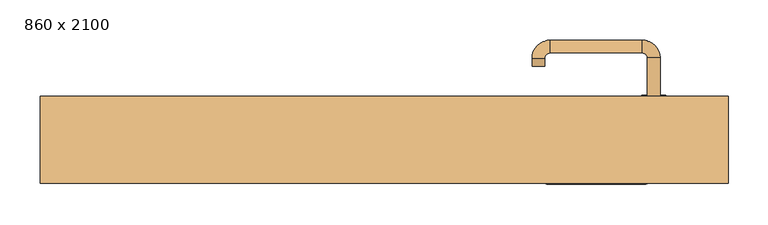
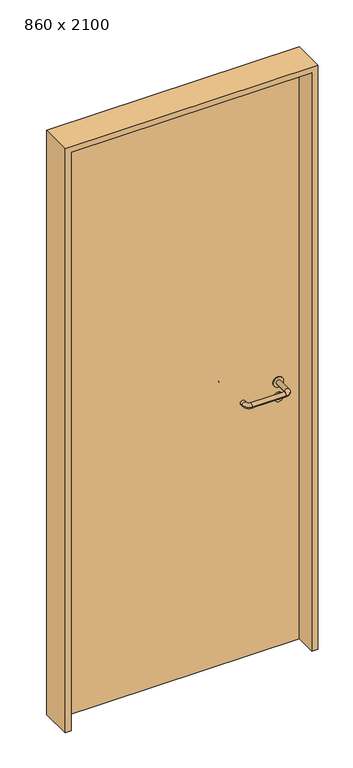
"""IFC4 building model written with IfcOpenShell, lengths in millimetres: door geometry, 860 x 2100."""

from ifc_helpers import new_model, si_unit, point, frame, frame_2d, origin, origin_with_axes, place, context, project, spatial, polyline, circle_curve, ellipse_curve, trimmed, segment, composite_curve, outline, extrude, source, transform, mapped, element, save
from ifc_brep_helpers import plane_surface, cylinder_surface, revolved_surface, advanced_brep


def door_860_x_2100_5c5aa9e3(model_context):
    return source(origin(), model_context, "Body", "SolidModel", [
        extrude(outline(composite_curve([segment(trimmed(circle_curve(frame_2d((897.3605726, 337.0)), 15.0), [point((897.3605726, 352.0))], [point((897.3605726, 322.0))], False, "CARTESIAN"), True, "CONTINUOUS"), segment(trimmed(circle_curve(frame_2d((897.3605726, 337.0)), 15.0), [point((897.3605726, 322.0))], [point((897.3605726, 352.0))], False, "CARTESIAN"), True, "CONTINUOUS")], self_intersect=False), holes=[composite_curve([segment(trimmed(circle_curve(frame_2d((892.5833211, 336.9398032)), 2.0), [point((892.5833211, 338.9398032))], [point((892.5833211, 334.9398032))], True, "CARTESIAN"), True, "CONTINUOUS"), segment(polyline([(892.5833211, 334.9398032), (902.5833211, 334.9398032)]), True, "CONTINUOUS"), segment(trimmed(circle_curve(frame_2d((902.5833211, 336.9398032)), 2.0), [point((902.5833211, 334.9398032))], [point((902.5833211, 338.9398032))], True, "CARTESIAN"), True, "CONTINUOUS"), segment(polyline([(902.5833211, 338.9398032), (892.5833211, 338.9398032)]), True, "CONTINUOUS")], self_intersect=False)]), frame((0.0, 13.65, 0.0), z_axis=(0.0, 1.0, 0.0), x_axis=(0.0, 0.0, 1.0)), (0.0, 0.0, 1.0), 6.35),
        extrude(outline(composite_curve([segment(trimmed(circle_curve(frame_2d((950.0, 337.0)), 17.526), [point((950.0, 354.526))], [point((950.0, 319.474))], False, "CARTESIAN"), True, "CONTINUOUS"), segment(trimmed(circle_curve(frame_2d((950.0, 337.0)), 17.526), [point((950.0, 319.474))], [point((950.0, 354.526))], False, "CARTESIAN"), True, "CONTINUOUS")], self_intersect=False)), frame((0.0, 16.825, 0.0), z_axis=(0.0, 1.0, 0.0), x_axis=(0.0, 0.0, 1.0)), (0.0, 0.0, 1.0), 3.175),
        advanced_brep(
        [(345.0, 20.0, 950.0), (329.0, 20.0, 950.0), (329.0, -33.0, 950.0), (345.0, -33.0, 950.0), (322.8578644, -39.1421356, 950.0), (322.8578644, -55.1421356, 950.0), (207.8578644, -39.1421356, 950.0), (207.8578644, -55.1421356, 950.0), (201.008622, -32.2928932, 950.0), (185.008622, -32.2928932, 950.0), (185.008622, -22.2928932, 950.0), (201.008622, -22.2928932, 950.0)],
        [
            (0, 1, circle_curve(frame((337.0, 20.0, 950.0), z_axis=(0.0, 1.0, 0.0), x_axis=(-1.0, 0.0, 0.0)), 8.0)),
            (1, 0, circle_curve(frame((337.0, 20.0, 950.0), z_axis=(0.0, 1.0, 0.0), x_axis=(-1.0, 0.0, 0.0)), 8.0)),
            (1, 2),
            (2, 3, circle_curve(frame((337.0, -33.0, 950.0), z_axis=(0.0, 1.0, 0.0), x_axis=(-1.0, 0.0, 0.0)), 8.0)),
            (3, 0),
            (3, 2, circle_curve(frame((337.0, -33.0, 950.0), z_axis=(0.0, 1.0, 0.0), x_axis=(-1.0, 0.0, 0.0)), 8.0)),
            (4, 5, circle_curve(frame((322.8578644, -47.1421356, 950.0), z_axis=(1.0, 0.0, 0.0), x_axis=(0.0, 1.0, 0.0)), 8.0)),
            (5, 3, circle_curve(frame((322.8578644, -33.0, 950.0), z_axis=(0.0, 0.0, 1.0), x_axis=(1.0, 0.0, 0.0)), 22.1421356)),
            (2, 4, circle_curve(frame((322.8578644, -33.0, 950.0), z_axis=(0.0, 0.0, -1.0), x_axis=(1.0, 0.0, 0.0)), 6.1421356)),
            (5, 4, circle_curve(frame((322.8578644, -47.1421356, 950.0), z_axis=(1.0, 0.0, 0.0), x_axis=(0.0, 1.0, 0.0)), 8.0)),
            (4, 6),
            (6, 7, circle_curve(frame((207.8578644, -47.1421356, 950.0), z_axis=(1.0, 0.0, 0.0), x_axis=(0.0, 1.0, 0.0)), 8.0)),
            (7, 5),
            (7, 6, circle_curve(frame((207.8578644, -47.1421356, 950.0), z_axis=(1.0, 0.0, 0.0), x_axis=(0.0, 1.0, 0.0)), 8.0)),
            (8, 9, circle_curve(frame((193.008622, -32.2928932, 950.0), z_axis=(0.0, -1.0, 0.0), x_axis=(1.0, 0.0, 0.0)), 8.0)),
            (9, 7, circle_curve(frame((207.8578644, -32.2928932, 950.0), z_axis=(0.0, 0.0, 1.0), x_axis=(0.0, -1.0, 0.0)), 22.8492424)),
            (6, 8, circle_curve(frame((207.8578644, -32.2928932, 950.0), z_axis=(0.0, 0.0, -1.0), x_axis=(0.0, -1.0, 0.0)), 6.8492424)),
            (9, 8, circle_curve(frame((193.008622, -32.2928932, 950.0), z_axis=(0.0, -1.0, 0.0), x_axis=(1.0, 0.0, 0.0)), 8.0)),
            (10, 11, circle_curve(frame((193.008622, -22.2928932, 950.0), z_axis=(0.0, 1.0, 0.0), x_axis=(1.0, 0.0, 0.0)), 8.0)),
            (11, 10, circle_curve(frame((193.008622, -22.2928932, 950.0), z_axis=(0.0, 1.0, 0.0), x_axis=(1.0, 0.0, 0.0)), 8.0)),
            (8, 11),
            (10, 9),
        ],
        [
            plane_surface(frame((337.0, 20.0, 0.0), z_axis=(0.0, 1.0, 0.0), x_axis=(0.0, 0.0, 1.0))),
            cylinder_surface(frame((337.0, 20.0, 950.0), z_axis=(0.0, 1.0, 0.0), x_axis=(-1.0, 0.0, 0.0)), 8.0),
            revolved_surface(trimmed(ellipse_curve(frame((337.0, -33.0, 950.0), z_axis=(0.0, -1.0, 0.0), x_axis=(-1.0, 0.0, 0.0)), 8.0, 8.0), [point((345.0, -33.0, 950.0))], [point((329.0, -33.0, 950.0))], True, "CARTESIAN"), (322.8578644, -33.0, 0.0), (0.0, 0.0, 1.0)),
            revolved_surface(trimmed(ellipse_curve(frame((337.0, -33.0, 950.0), z_axis=(0.0, -1.0, 0.0), x_axis=(-1.0, 0.0, 0.0)), 8.0, 8.0), [point((329.0, -33.0, 950.0))], [point((345.0, -33.0, 950.0))], True, "CARTESIAN"), (322.8578644, -33.0, 0.0), (0.0, 0.0, 1.0)),
            cylinder_surface(frame((322.8578644, -47.1421356, 950.0), z_axis=(1.0, 0.0, 0.0), x_axis=(0.0, 1.0, 0.0)), 8.0),
            revolved_surface(trimmed(ellipse_curve(frame((207.8578644, -47.1421356, 950.0), z_axis=(-1.0, 0.0, 0.0), x_axis=(0.0, 1.0, 0.0)), 8.0, 8.0), [point((207.8578644, -55.1421356, 950.0))], [point((207.8578644, -39.1421356, 950.0))], True, "CARTESIAN"), (207.8578644, -32.2928932, 0.0), (0.0, 0.0, 1.0)),
            revolved_surface(trimmed(ellipse_curve(frame((207.8578644, -47.1421356, 950.0), z_axis=(-1.0, 0.0, 0.0), x_axis=(0.0, 1.0, 0.0)), 8.0, 8.0), [point((207.8578644, -39.1421356, 950.0))], [point((207.8578644, -55.1421356, 950.0))], True, "CARTESIAN"), (207.8578644, -32.2928932, 0.0), (0.0, 0.0, 1.0)),
            plane_surface(frame((193.008622, -22.2928932, 0.0), z_axis=(0.0, 1.0, 0.0), x_axis=(0.0, 0.0, 1.0))),
            cylinder_surface(frame((193.008622, -32.2928932, 950.0), z_axis=(0.0, -1.0, 0.0), x_axis=(1.0, 0.0, 0.0)), 8.0),
        ],
        [
            (0, [[1, 2]]),
            (1, [[3, 4, 5, -2]]),
            (1, [[-5, 6, -3, -1]]),
            (2, [[7, 8, -4, 9]]),
            (3, [[10, -9, -6, -8]]),
            (4, [[11, 12, 13, -7]]),
            (4, [[-13, 14, -11, -10]]),
            (5, [[15, 16, -12, 17]]),
            (6, [[18, -17, -14, -16]]),
            (7, [[19, 20]]),
            (8, [[21, -19, 22, -15]]),
            (8, [[-22, -20, -21, -18]]),
        ],
    ),
        extrude(outline(composite_curve([segment(trimmed(circle_curve(frame_2d((0.0, -15.0)), 15.0), [point((0.0, -30.0))], [point((0.0, 0.0))], False, "CARTESIAN"), True, "CONTINUOUS"), segment(trimmed(circle_curve(frame_2d((0.0, -15.0)), 15.0), [point((0.0, 0.0))], [point((0.0, -30.0))], False, "CARTESIAN"), True, "CONTINUOUS")], self_intersect=False), holes=[composite_curve([segment(trimmed(circle_curve(frame_2d((4.7772515, -14.9398032)), 2.0), [point((4.7772515, -16.9398032))], [point((4.7772515, -12.9398032))], True, "CARTESIAN"), True, "CONTINUOUS"), segment(polyline([(4.7772515, -12.9398032), (-5.2227485, -12.9398032)]), True, "CONTINUOUS"), segment(trimmed(circle_curve(frame_2d((-5.2227485, -14.9398032)), 2.0), [point((-5.2227485, -12.9398032))], [point((-5.2227485, -16.9398032))], True, "CARTESIAN"), True, "CONTINUOUS"), segment(polyline([(-5.2227485, -16.9398032), (4.7772515, -16.9398032)]), True, "CONTINUOUS")], self_intersect=False)]), frame((322.0, 50.0, 897.3605726), z_axis=(1.8870575173328306e-12, 1.0, 0.0), x_axis=(0.0, 0.0, -1.0)), (0.0, 0.0, 1.0), 6.35),
        extrude(outline(composite_curve([segment(trimmed(circle_curve(frame_2d((0.0, -17.526)), 17.526), [point((0.0, -35.052))], [point((0.0, 0.0))], False, "CARTESIAN"), True, "CONTINUOUS"), segment(trimmed(circle_curve(frame_2d((0.0, -17.526)), 17.526), [point((0.0, 0.0))], [point((0.0, -35.052))], False, "CARTESIAN"), True, "CONTINUOUS")], self_intersect=False)), frame((319.474, 50.0, 950.0), z_axis=(1.8870575173328306e-12, 1.0, 0.0), x_axis=(0.0, 0.0, -1.0)), (0.0, 0.0, 1.0), 3.175),
        advanced_brep(
        [(345.0, 50.0, 950.0), (329.0, 50.0, 950.0), (345.0, 103.0, 950.0), (329.0, 103.0, 950.0), (322.8578644, 109.1421356, 950.0), (322.8578644, 125.1421356, 950.0), (207.8578644, 125.1421356, 950.0), (207.8578644, 109.1421356, 950.0), (201.008622, 102.2928932, 950.0), (185.008622, 102.2928932, 950.0), (185.008622, 92.2928932, 950.0), (201.008622, 92.2928932, 950.0)],
        [
            (0, 1, circle_curve(frame((337.0, 50.0, 950.0), z_axis=(-1.888672253512351e-12, -1.0, 0.0), x_axis=(-1.0, 1.888672253512351e-12, 0.0)), 8.0)),
            (1, 0, circle_curve(frame((337.0, 50.0, 950.0), z_axis=(-1.888672253512351e-12, -1.0, 0.0), x_axis=(-1.0, 1.888672253512351e-12, 0.0)), 8.0)),
            (0, 2),
            (2, 3, circle_curve(frame((337.0, 103.0, 950.0), z_axis=(-1.888672253512351e-12, -1.0, 0.0), x_axis=(-1.0, 1.888672253512351e-12, 0.0)), 8.0)),
            (3, 1),
            (3, 2, circle_curve(frame((337.0, 103.0, 950.0), z_axis=(-1.888672253512351e-12, -1.0, 0.0), x_axis=(-1.0, 1.888672253512351e-12, 0.0)), 8.0)),
            (4, 3, circle_curve(frame((322.8578644, 103.0, 950.0), z_axis=(0.0, 0.0, -1.0), x_axis=(1.0, -1.880717803715015e-12, 0.0)), 6.1421356)),
            (2, 5, circle_curve(frame((322.8578644, 103.0, 950.0), z_axis=(0.0, 0.0, 1.0), x_axis=(1.0, -1.880717803715015e-12, 0.0)), 22.1421356)),
            (5, 4, circle_curve(frame((322.8578644, 117.1421356, 950.0), z_axis=(1.0, -1.913702061528922e-12, 0.0), x_axis=(-1.913702061528922e-12, -1.0, 0.0)), 8.0)),
            (4, 5, circle_curve(frame((322.8578644, 117.1421356, 950.0), z_axis=(1.0, -1.913702061528922e-12, 0.0), x_axis=(-1.913702061528922e-12, -1.0, 0.0)), 8.0)),
            (5, 6),
            (6, 7, circle_curve(frame((207.8578644, 117.1421356, 950.0), z_axis=(1.0, -1.913719828541269e-12, 0.0), x_axis=(-1.913719828541269e-12, -1.0, 0.0)), 8.0)),
            (7, 4),
            (7, 6, circle_curve(frame((207.8578644, 117.1421356, 950.0), z_axis=(1.0, -1.913719828541269e-12, 0.0), x_axis=(-1.913719828541269e-12, -1.0, 0.0)), 8.0)),
            (8, 7, circle_curve(frame((207.8578644, 102.2928932, 950.0), z_axis=(0.0, 0.0, -1.0), x_axis=(1.9120873253494017e-12, 1.0, 0.0)), 6.8492424)),
            (6, 9, circle_curve(frame((207.8578644, 102.2928932, 950.0), z_axis=(0.0, 0.0, 1.0), x_axis=(1.9120873253494017e-12, 1.0, 0.0)), 22.8492424)),
            (9, 8, circle_curve(frame((193.008622, 102.2928932, 950.0), z_axis=(1.890448610351751e-12, 1.0, 0.0), x_axis=(1.0, -1.890448610351751e-12, 0.0)), 8.0)),
            (8, 9, circle_curve(frame((193.008622, 102.2928932, 950.0), z_axis=(1.8888942981172756e-12, 1.0, 0.0), x_axis=(1.0, -1.8888942981172756e-12, 0.0)), 8.0)),
            (10, 11, circle_curve(frame((193.008622, 92.2928932, 950.0), z_axis=(-1.8903642334018795e-12, -1.0, 0.0), x_axis=(1.0, -1.8903642334018795e-12, 0.0)), 8.0)),
            (11, 10, circle_curve(frame((193.008622, 92.2928932, 950.0), z_axis=(-1.8903642334018795e-12, -1.0, 0.0), x_axis=(1.0, -1.8903642334018795e-12, 0.0)), 8.0)),
            (9, 10),
            (11, 8),
        ],
        [
            plane_surface(frame((337.0, 50.0, 0.0), z_axis=(-1.8870575173328306e-12, -1.0, 0.0), x_axis=(0.0, 0.0, 1.0))),
            cylinder_surface(frame((337.0, 50.0, 950.0), z_axis=(-1.888672253512351e-12, -1.0, 0.0), x_axis=(-1.0, 1.888672253512351e-12, 0.0)), 8.0),
            revolved_surface(trimmed(ellipse_curve(frame((337.0, 103.0, 950.0), z_axis=(-1.8823325398945356e-12, -1.0, 0.0), x_axis=(-1.0, 1.8823325398945356e-12, 0.0)), 8.0, 8.0), [point((345.0, 103.0, 950.0))], [point((329.0, 103.0, 950.0))], True, "CARTESIAN"), (322.8578644, 103.0, 0.0), (0.0, 0.0, 1.0)),
            revolved_surface(trimmed(ellipse_curve(frame((337.0, 103.0, 950.0), z_axis=(-1.8823325398945356e-12, -1.0, 0.0), x_axis=(-1.0, 1.8823325398945356e-12, 0.0)), 8.0, 8.0), [point((329.0, 103.0, 950.0))], [point((345.0, 103.0, 950.0))], True, "CARTESIAN"), (322.8578644, 103.0, 0.0), (0.0, 0.0, 1.0)),
            cylinder_surface(frame((322.8578644, 117.1421356, 950.0), z_axis=(1.0, -1.913719828541269e-12, 0.0), x_axis=(-1.913719828541269e-12, -1.0, 0.0)), 8.0),
            revolved_surface(trimmed(ellipse_curve(frame((207.8578644, 117.1421356, 950.0), z_axis=(1.0, -1.913702061528922e-12, 0.0), x_axis=(-1.913702061528922e-12, -1.0, 0.0)), 8.0, 8.0), [point((207.8578644, 125.1421356, 950.0))], [point((207.8578644, 109.1421356, 950.0))], True, "CARTESIAN"), (207.8578644, 102.2928932, 0.0), (0.0, 0.0, 1.0)),
            revolved_surface(trimmed(ellipse_curve(frame((207.8578644, 117.1421356, 950.0), z_axis=(1.0, -1.913702061528922e-12, 0.0), x_axis=(-1.913702061528922e-12, -1.0, 0.0)), 8.0, 8.0), [point((207.8578644, 109.1421356, 950.0))], [point((207.8578644, 125.1421356, 950.0))], True, "CARTESIAN"), (207.8578644, 102.2928932, 0.0), (0.0, 0.0, 1.0)),
            plane_surface(frame((193.008622, 92.2928932, 0.0), z_axis=(-1.8887494972223595e-12, -1.0, 0.0), x_axis=(0.0, 0.0, 1.0))),
            cylinder_surface(frame((193.008622, 102.2928932, 950.0), z_axis=(1.8903642334018795e-12, 1.0, 0.0), x_axis=(1.0, -1.8903642334018795e-12, 0.0)), 8.0),
        ],
        [
            (0, [[1, 2]]),
            (1, [[-1, 3, 4, 5]]),
            (1, [[-2, -5, 6, -3]]),
            (2, [[7, -4, 8, 9]]),
            (3, [[-8, -6, -7, 10]]),
            (4, [[-9, 11, 12, 13]]),
            (4, [[-10, -13, 14, -11]]),
            (5, [[15, -12, 16, 17]]),
            (6, [[-16, -14, -15, 18]]),
            (7, [[19, 20]]),
            (8, [[-17, 21, -20, 22]]),
            (8, [[-18, -22, -19, -21]]),
        ],
    ),
        extrude(outline(polyline([(2080.0, 410.0), (0.0, 410.0), (0.0, 430.0), (2100.0, 430.0), (2100.0, -430.0), (0.0, -430.0), (0.0, -410.0), (2080.0, -410.0), (2080.0, 410.0)])), frame((0.0, -54.0, 0.0), z_axis=(0.0, 1.0, 0.0), x_axis=(0.0, 0.0, 1.0)), (0.0, 0.0, 1.0), 109.0),
        extrude(outline(polyline([(-410.0, 50.0), (410.0, 50.0), (410.0, 20.0), (-410.0, 20.0), (-410.0, 50.0)])), origin_with_axes(), (0.0, 0.0, 1.0), 2080.0),
    ])


if __name__ == "__main__":
    model = new_model("IFC4")
    model_context = context("Model", 3, world=origin())
    ifc_project = project(units=[si_unit("LENGTHUNIT", "METRE", prefix="MILLI")], contexts=[model_context])
    site = spatial("IfcSite", under=ifc_project)
    building = spatial("IfcBuilding", under=site)
    placement = place(None, origin())
    door_860_x_2100_shape = door_860_x_2100_5c5aa9e3(model_context)
    element("IfcDoor", 1, ObjectType="860 x 2100", at=placement, inside=building, context=model_context, shape_type="MappedRepresentation", body=[
        mapped(door_860_x_2100_shape, transform((0.0, 0.0, 0.0), x_axis=(1.0, 0.0, 0.0), y_axis=(0.0, 1.0, 0.0), z_axis=(0.0, 0.0, 1.0))),
    ])
    save(model, "model.ifc")
